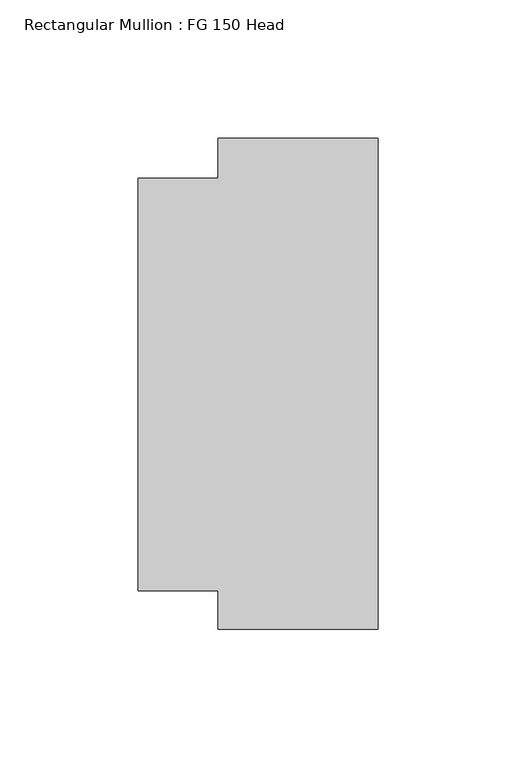
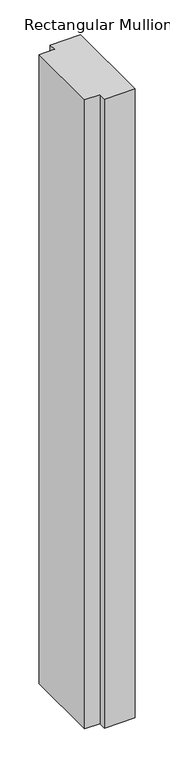
"""IFC4 building model written with IfcOpenShell, lengths in millimetres: member geometry, Rectangular Mullion : FG 150 Head."""

from ifc_helpers import new_model, si_unit, frame, origin, place, context, project, spatial, polyline, outline, extrude, source, transform, mapped, element, save


def rectangular_mullion_fg_150_head_2dc564ef(model_context):
    return source(origin(), model_context, "Body", "SweptSolid", [
        extrude(outline(polyline([(0.0, -88.9972639), (-58.0, -88.9972639), (-58.0, -74.9972639), (-87.0, -74.9972639), (-87.0, 74.5027361), (-58.0, 74.5027361), (-58.0, 89.0027361), (0.0, 89.0027361), (0.0, -88.9972639)])), frame((0.0, 0.0, -1257.5336396), z_axis=(0.0, 0.0, 1.0), x_axis=(1.0, 0.0, 0.0)), (0.0, 0.0, 1.0), 1257.5336396),
    ])


if __name__ == "__main__":
    model = new_model("IFC4")
    model_context = context("Model", 3, world=origin())
    ifc_project = project(units=[si_unit("LENGTHUNIT", "METRE", prefix="MILLI")], contexts=[model_context])
    site = spatial("IfcSite", under=ifc_project)
    building = spatial("IfcBuilding", under=site)
    placement = place(None, origin())
    rectangular_mullion_fg_150_head_shape = rectangular_mullion_fg_150_head_2dc564ef(model_context)
    element("IfcMember", 1, ObjectType="Rectangular Mullion : FG 150 Head", at=placement, inside=building, context=model_context, shape_type="MappedRepresentation", body=[
        mapped(rectangular_mullion_fg_150_head_shape, transform((0.0, 0.0, 0.0), x_axis=(1.0, 0.0, 0.0), y_axis=(0.0, 1.0, 0.0), z_axis=(0.0, 0.0, 1.0))),
    ])
    save(model, "model.ifc")
